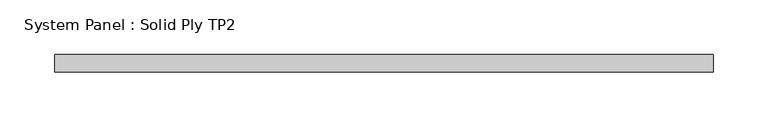
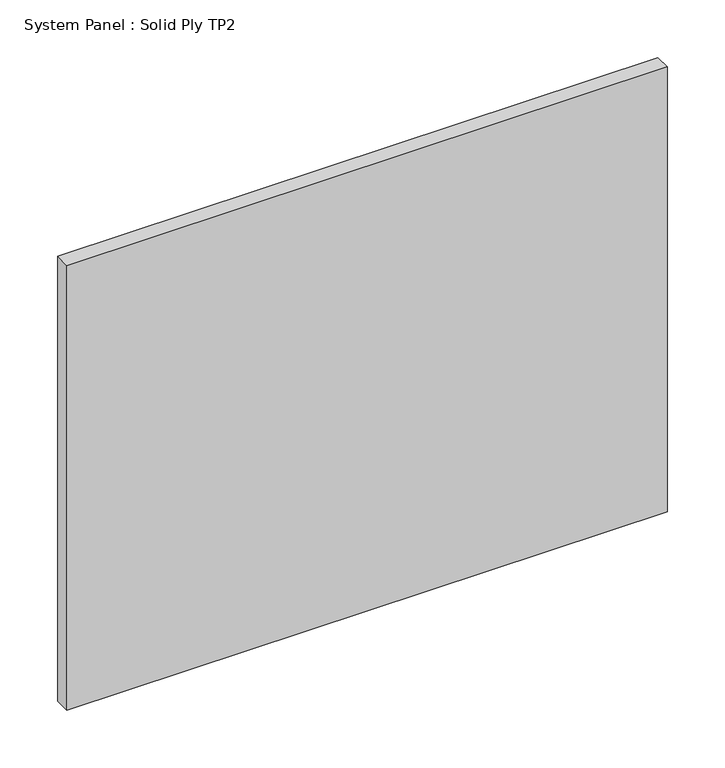
"""IFC4 building model written with IfcOpenShell, lengths in millimetres: plate geometry, System Panel : Solid Ply TP2."""

from ifc_helpers import new_model, si_unit, origin, origin_with_axes, place, context, project, spatial, polyline, outline, extrude, source, transform, mapped, element, save


def system_panel_solid_ply_tp2_4c3b3b65(model_context):
    return source(origin(), model_context, "Body", "SweptSolid", [
        extrude(outline(polyline([(300.0, -23.0), (-300.0, -23.0), (-300.0, -7.0), (300.0, -7.0), (300.0, -23.0)])), origin_with_axes(), (0.0, 0.0, 1.0), 470.0),
    ])


if __name__ == "__main__":
    model = new_model("IFC4")
    model_context = context("Model", 3, world=origin())
    ifc_project = project(units=[si_unit("LENGTHUNIT", "METRE", prefix="MILLI")], contexts=[model_context])
    site = spatial("IfcSite", under=ifc_project)
    building = spatial("IfcBuilding", under=site)
    placement = place(None, origin())
    system_panel_solid_ply_tp2_shape = system_panel_solid_ply_tp2_4c3b3b65(model_context)
    element("IfcPlate", 1, ObjectType="System Panel : Solid Ply TP2", at=placement, inside=building, context=model_context, shape_type="MappedRepresentation", body=[
        mapped(system_panel_solid_ply_tp2_shape, transform((0.0, 0.0, 0.0), x_axis=(1.0, 0.0, 0.0), y_axis=(0.0, 1.0, 0.0), z_axis=(0.0, 0.0, 1.0))),
    ])
    save(model, "model.ifc")
